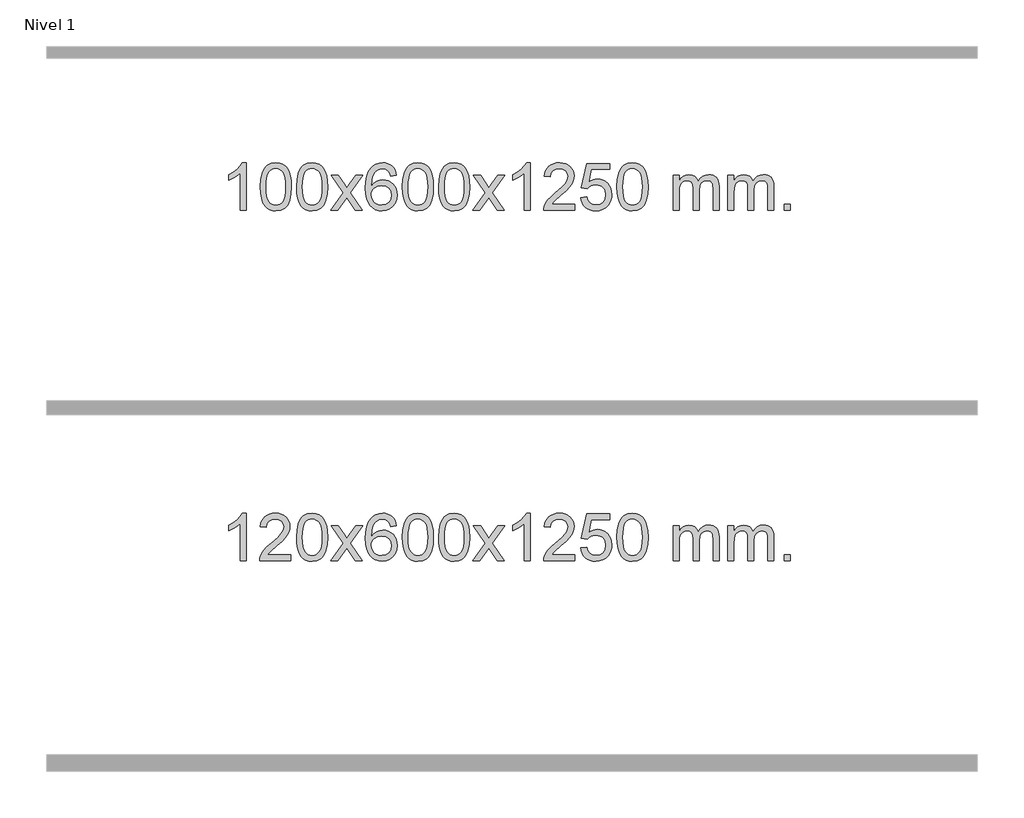
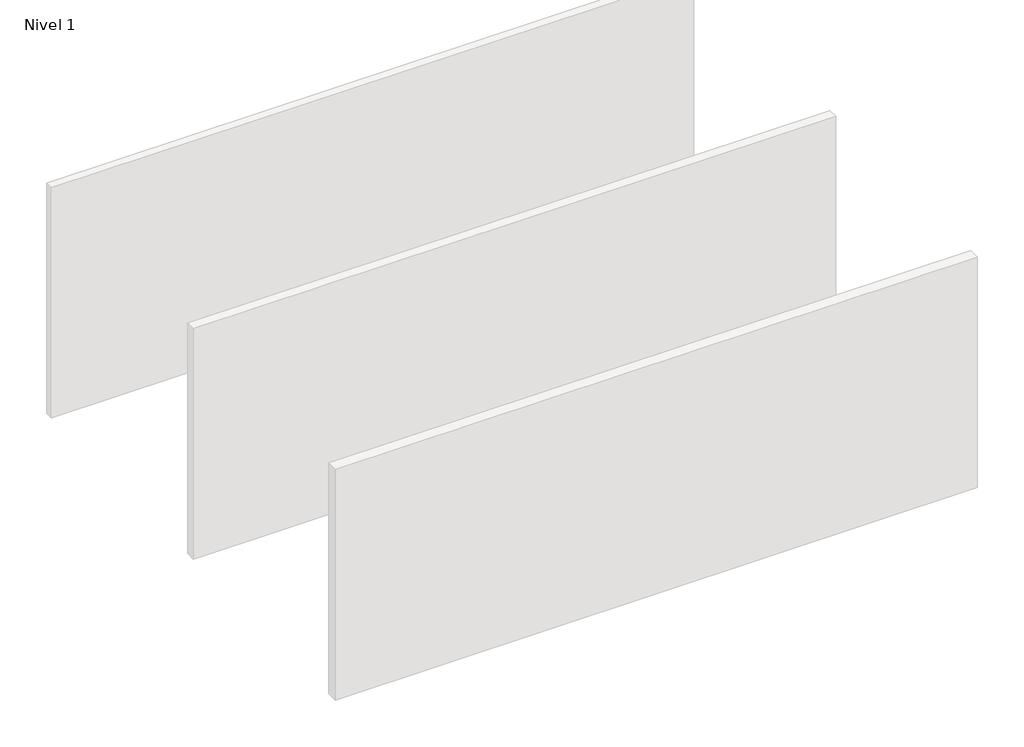
# One storey, part 3 of 6: 2 proxies.
"""IFC4 building model written with IfcOpenShell, lengths in millimetres."""

from ifc_helpers import new_model, si_unit, origin, origin_with_axes, place, context, project, spatial, polyline, outline, extrude, element, save

model = new_model("IFC4")

# Units and contexts
model_context = context("Model", 3, world=origin())
ifc_project = project(units=[si_unit("LENGTHUNIT", "METRE", prefix="MILLI")], contexts=[model_context])

# Site, building, storey
site = spatial("IfcSite", under=ifc_project)
building = spatial("IfcBuilding", under=site)
storey = spatial("IfcBuildingStorey", under=building, Name="Nivel 1", Elevation=0.0)

# Proxies
placement = place(None, origin())
element("IfcBuildingElementProxy", 1, Name="Texto de modelo 1", ObjectType="Texto de modelo 1", at=placement, inside=storey, context=model_context, shape_type="SweptSolid", body=[
    extrude(outline(polyline([(-4836.3117093, -12403.579453), (-4886.5398644, -12403.579453), (-4886.5398644, -12090.4382987), (-4907.5091381, -12107.3976587), (-4934.1192691, -12124.3324932), (-4986.9961745, -12149.6918254), (-4986.9961745, -12102.2105225), (-4947.5469619, -12080.7507395), (-4913.3707246, -12055.219729), (-4886.4294998, -12028.0700378), (-4868.6853249, -12001.7542124), (-4836.3117093, -12001.7542124), (-4836.3117093, -12403.579453)])), origin_with_axes(), (0.0, 0.0, 1.0), 10.0),
    extrude(outline(polyline([(-4717.019841, -12205.9041943), (-4713.3287583, -12141.5861588), (-4702.2555103, -12090.2911459), (-4683.9104614, -12051.2343407), (-4672.0523985, -12036.0009605), (-4658.4039764, -12023.6309284), (-4642.9192101, -12014.0598651), (-4625.5521143, -12007.2233914), (-4585.1709339, -12001.7542124), (-4554.2197954, -12004.991574), (-4526.5060184, -12014.7036586), (-4503.3294527, -12030.5103217), (-4485.989948, -12052.0314184), (-4472.893349, -12079.0830078), (-4462.4455003, -12111.4811488), (-4455.6028952, -12152.6226186), (-4453.3220269, -12205.9041943), (-4456.9763213, -12269.8543477), (-4467.9392048, -12321.0267333), (-4486.173889, -12360.1203266), (-4498.0043609, -12375.3996922), (-4511.6435858, -12387.8341036), (-4527.1467462, -12397.4695462), (-4544.5690244, -12404.3520052), (-4585.1709339, -12409.8579724), (-4612.83566, -12407.4667394), (-4637.3611263, -12400.2930405), (-4658.747333, -12388.3368757), (-4676.9942799, -12371.5982449), (-4694.5054629, -12341.3399508), (-4707.0134507, -12303.6381776), (-4714.5182434, -12258.4929255), (-4717.019841, -12205.9041943)]), holes=[polyline([(-4666.7916859, -12205.8060924), (-4665.3201579, -12249.4706195), (-4660.905574, -12284.8148822), (-4653.5479341, -12311.8388804), (-4643.2472382, -12330.5426142), (-4630.7883013, -12343.2682656), (-4616.9559383, -12352.3580165), (-4601.7501492, -12357.8118671), (-4585.1709339, -12359.6298173), (-4568.5917187, -12357.8057357), (-4553.3859295, -12352.3334911), (-4539.5535665, -12343.2130833), (-4527.0946296, -12330.4445124), (-4516.7939338, -12311.7101217), (-4509.4362939, -12284.6922549), (-4505.0217099, -12249.3909118), (-4503.5501819, -12205.8060924), (-4504.972659, -12163.2973278), (-4509.2400901, -12128.5753989), (-4516.3524754, -12101.6403055), (-4526.3098147, -12082.4920476), (-4538.5602851, -12069.1440625), (-4552.5520637, -12059.6097875), (-4568.2851503, -12053.8892225), (-4585.7595451, -12051.9823675), (-4602.2529212, -12053.6623619), (-4617.201193, -12058.7023452), (-4630.6043603, -12067.1023175), (-4642.4624233, -12078.8622786), (-4653.1064757, -12099.708925), (-4660.7093703, -12127.8151094), (-4665.271107, -12163.1808319), (-4666.7916859, -12205.8060924)])]), origin_with_axes(), (0.0, 0.0, 1.0), 10.0),
    extrude(outline(polyline([(-4409.3723912, -12205.9041943), (-4405.6813085, -12141.5861588), (-4394.6080604, -12090.2911459), (-4376.2630116, -12051.2343407), (-4364.4049486, -12036.0009605), (-4350.7565266, -12023.6309284), (-4335.2717603, -12014.0598651), (-4317.9046644, -12007.2233914), (-4277.5234841, -12001.7542124), (-4246.5723456, -12004.991574), (-4218.8585686, -12014.7036586), (-4195.6820029, -12030.5103217), (-4178.3424982, -12052.0314184), (-4165.2458992, -12079.0830078), (-4154.7980505, -12111.4811488), (-4147.9554454, -12152.6226186), (-4145.674577, -12205.9041943), (-4149.3288715, -12269.8543477), (-4160.291755, -12321.0267333), (-4178.5264392, -12360.1203266), (-4190.356911, -12375.3996922), (-4203.996136, -12387.8341036), (-4219.4992964, -12397.4695462), (-4236.9215746, -12404.3520052), (-4277.5234841, -12409.8579724), (-4305.1882101, -12407.4667394), (-4329.7136765, -12400.2930405), (-4351.0998831, -12388.3368757), (-4369.3468301, -12371.5982449), (-4386.8580131, -12341.3399508), (-4399.3660009, -12303.6381776), (-4406.8707936, -12258.4929255), (-4409.3723912, -12205.9041943)]), holes=[polyline([(-4359.1442361, -12205.8060924), (-4357.6727081, -12249.4706195), (-4353.2581242, -12284.8148822), (-4345.9004843, -12311.8388804), (-4335.5997884, -12330.5426142), (-4323.1408515, -12343.2682656), (-4309.3084885, -12352.3580165), (-4294.1026993, -12357.8118671), (-4277.5234841, -12359.6298173), (-4260.9442688, -12357.8057357), (-4245.7384797, -12352.3334911), (-4231.9061167, -12343.2130833), (-4219.4471798, -12330.4445124), (-4209.1464839, -12311.7101217), (-4201.788844, -12284.6922549), (-4197.3742601, -12249.3909118), (-4195.9027321, -12205.8060924), (-4197.3252091, -12163.2973278), (-4201.5926403, -12128.5753989), (-4208.7050255, -12101.6403055), (-4218.6623649, -12082.4920476), (-4230.9128353, -12069.1440625), (-4244.9046139, -12059.6097875), (-4260.6377005, -12053.8892225), (-4278.1120953, -12051.9823675), (-4294.6054714, -12053.6623619), (-4309.5537431, -12058.7023452), (-4322.9569105, -12067.1023175), (-4334.8149735, -12078.8622786), (-4345.4590259, -12099.708925), (-4353.0619204, -12127.8151094), (-4357.6236572, -12163.1808319), (-4359.1442361, -12205.8060924)])]), origin_with_axes(), (0.0, 0.0, 1.0), 10.0),
    extrude(outline(polyline([(-4120.5604995, -12403.579453), (-4013.2370588, -12255.2494325), (-4114.2819801, -12108.4890419), (-4053.851231, -12108.4890419), (-4005.0946039, -12179.122385), (-3982.3349712, -12212.4770192), (-3962.6164962, -12185.2047007), (-3907.0908404, -12108.4890419), (-3846.6600913, -12108.4890419), (-3952.8063097, -12255.2494325), (-3850.584166, -12403.579453), (-3911.014915, -12403.579453), (-3972.5247846, -12314.4048574), (-3983.8064991, -12298.1199477), (-4060.1297504, -12403.579453), (-4120.5604995, -12403.579453)])), origin_with_axes(), (0.0, 0.0, 1.0), 10.0),
    extrude(outline(polyline([(-3561.7722743, -12108.4890419), (-3612.0004294, -12114.7675613), (-3620.0938332, -12089.874213), (-3631.0321912, -12072.8780648), (-3653.8163495, -12057.2062918), (-3681.3584482, -12051.9823675), (-3704.7066921, -12055.0235253), (-3726.68151, -12064.1469988), (-3745.5538563, -12083.3627017), (-3760.9681119, -12109.8134171), (-3771.3791724, -12147.227016), (-3775.2419333, -12199.3313693), (-3755.0942627, -12175.8237098), (-3730.9489411, -12159.2567573), (-3704.1548691, -12149.434308), (-3676.0609474, -12146.1601582), (-3651.9278886, -12148.398107), (-3629.6587651, -12155.1119534), (-3609.2535771, -12166.3016975), (-3590.7123246, -12181.9673391), (-3575.3042003, -12201.1769106), (-3564.2983973, -12222.9984443), (-3557.6949155, -12247.4319401), (-3555.4937549, -12274.4773982), (-3559.6385587, -12310.4439945), (-3572.0729701, -12343.786366), (-3591.7669196, -12372.0642287), (-3617.6903375, -12392.8372987), (-3648.6660015, -12405.602804), (-3683.5166892, -12409.8579724), (-3713.4592179, -12407.0375437), (-3740.5016103, -12398.5762579), (-3764.6438662, -12384.4741147), (-3785.8859857, -12364.7311143), (-3803.2040307, -12338.5133908), (-3815.5740627, -12304.9870783), (-3822.996082, -12264.1521768), (-3825.4700884, -12216.0086864), (-3822.7232362, -12162.0342663), (-3814.4826795, -12115.9693092), (-3800.7484183, -12077.8138149), (-3781.5204527, -12047.5677835), (-3760.6799377, -12027.5243462), (-3736.516222, -12013.2076052), (-3709.0293056, -12004.6175606), (-3678.2191885, -12001.7542124), (-3655.0855424, -12003.5261773), (-3634.1469255, -12008.8420722), (-3615.4033378, -12017.7018969), (-3598.8547794, -12030.1056515), (-3584.94884, -12045.6364031), (-3574.1331093, -12063.8772186), (-3566.4075874, -12084.8280983), (-3561.7722743, -12108.4890419)]), holes=[polyline([(-3775.2419333, -12273.6925832), (-3772.3356656, -12295.9494439), (-3763.6168623, -12317.2007605), (-3750.0788049, -12335.472233), (-3732.7147747, -12348.7895612), (-3711.7577637, -12356.9197533), (-3687.4407638, -12359.6298173), (-3654.2945961, -12354.0134855), (-3640.3794596, -12346.9930708), (-3628.2362881, -12337.1644901), (-3618.3862477, -12324.9262824), (-3611.3505045, -12310.6769865), (-3605.72191, -12276.1451299), (-3611.2769281, -12242.9989621), (-3618.2207008, -12229.3781312), (-3627.9419825, -12217.725469), (-3640.1219422, -12208.3904634), (-3654.4417489, -12201.7226022), (-3689.500903, -12196.3883133), (-3722.5980198, -12201.7226022), (-3750.2750086, -12217.725469), (-3761.1980382, -12229.2248471), (-3769.0002022, -12242.3858254), (-3773.6815005, -12257.2084042), (-3775.2419333, -12273.6925832)])]), origin_with_axes(), (0.0, 0.0, 1.0), 10.0),
    extrude(outline(polyline([(-3511.5441192, -12205.9041943), (-3507.8530365, -12141.5861588), (-3496.7797885, -12090.2911459), (-3478.4347396, -12051.2343407), (-3466.5766767, -12036.0009605), (-3452.9282546, -12023.6309284), (-3437.4434883, -12014.0598651), (-3420.0763925, -12007.2233914), (-3379.6952121, -12001.7542124), (-3348.7440736, -12004.991574), (-3321.0302966, -12014.7036586), (-3297.8537309, -12030.5103217), (-3280.5142262, -12052.0314184), (-3267.4176272, -12079.0830078), (-3256.9697785, -12111.4811488), (-3250.1271734, -12152.6226186), (-3247.8463051, -12205.9041943), (-3251.5005995, -12269.8543477), (-3262.463483, -12321.0267333), (-3280.6981672, -12360.1203266), (-3292.5286391, -12375.3996922), (-3306.167864, -12387.8341036), (-3321.6710244, -12397.4695462), (-3339.0933026, -12404.3520052), (-3379.6952121, -12409.8579724), (-3407.3599382, -12407.4667394), (-3431.8854045, -12400.2930405), (-3453.2716112, -12388.3368757), (-3471.5185581, -12371.5982449), (-3489.0297411, -12341.3399508), (-3501.5377289, -12303.6381776), (-3509.0425216, -12258.4929255), (-3511.5441192, -12205.9041943)]), holes=[polyline([(-3461.3159641, -12205.8060924), (-3459.8444361, -12249.4706195), (-3455.4298522, -12284.8148822), (-3448.0722123, -12311.8388804), (-3437.7715164, -12330.5426142), (-3425.3125795, -12343.2682656), (-3411.4802165, -12352.3580165), (-3396.2744274, -12357.8118671), (-3379.6952121, -12359.6298173), (-3363.1159969, -12357.8057357), (-3347.9102077, -12352.3334911), (-3334.0778447, -12343.2130833), (-3321.6189078, -12330.4445124), (-3311.318212, -12311.7101217), (-3303.9605721, -12284.6922549), (-3299.5459881, -12249.3909118), (-3298.0744601, -12205.8060924), (-3299.4969372, -12163.2973278), (-3303.7643683, -12128.5753989), (-3310.8767536, -12101.6403055), (-3320.8340929, -12082.4920476), (-3333.0845633, -12069.1440625), (-3347.0763419, -12059.6097875), (-3362.8094286, -12053.8892225), (-3380.2838233, -12051.9823675), (-3396.7771994, -12053.6623619), (-3411.7254712, -12058.7023452), (-3425.1286385, -12067.1023175), (-3436.9867015, -12078.8622786), (-3447.6307539, -12099.708925), (-3455.2336485, -12127.8151094), (-3459.7953852, -12163.1808319), (-3461.3159641, -12205.8060924)])]), origin_with_axes(), (0.0, 0.0, 1.0), 10.0),
    extrude(outline(polyline([(-3203.8966694, -12205.9041943), (-3200.2055867, -12141.5861588), (-3189.1323386, -12090.2911459), (-3170.7872898, -12051.2343407), (-3158.9292268, -12036.0009605), (-3145.2808048, -12023.6309284), (-3129.7960385, -12014.0598651), (-3112.4289426, -12007.2233914), (-3072.0477623, -12001.7542124), (-3041.0966238, -12004.991574), (-3013.3828468, -12014.7036586), (-2990.2062811, -12030.5103217), (-2972.8667764, -12052.0314184), (-2959.7701774, -12079.0830078), (-2949.3223287, -12111.4811488), (-2942.4797236, -12152.6226186), (-2940.1988552, -12205.9041943), (-2943.8531497, -12269.8543477), (-2954.8160332, -12321.0267333), (-2973.0507174, -12360.1203266), (-2984.8811892, -12375.3996922), (-2998.5204142, -12387.8341036), (-3014.0235746, -12397.4695462), (-3031.4458528, -12404.3520052), (-3072.0477623, -12409.8579724), (-3099.7124883, -12407.4667394), (-3124.2379547, -12400.2930405), (-3145.6241613, -12388.3368757), (-3163.8711083, -12371.5982449), (-3181.3822913, -12341.3399508), (-3193.8902791, -12303.6381776), (-3201.3950718, -12258.4929255), (-3203.8966694, -12205.9041943)]), holes=[polyline([(-3153.6685143, -12205.8060924), (-3152.1969863, -12249.4706195), (-3147.7824024, -12284.8148822), (-3140.4247625, -12311.8388804), (-3130.1240666, -12330.5426142), (-3117.6651297, -12343.2682656), (-3103.8327667, -12352.3580165), (-3088.6269775, -12357.8118671), (-3072.0477623, -12359.6298173), (-3055.468547, -12357.8057357), (-3040.2627579, -12352.3334911), (-3026.4303949, -12343.2130833), (-3013.971458, -12330.4445124), (-3003.6707621, -12311.7101217), (-2996.3131222, -12284.6922549), (-2991.8985383, -12249.3909118), (-2990.4270103, -12205.8060924), (-2991.8494873, -12163.2973278), (-2996.1169185, -12128.5753989), (-3003.2293037, -12101.6403055), (-3013.1866431, -12082.4920476), (-3025.4371135, -12069.1440625), (-3039.4288921, -12059.6097875), (-3055.1619787, -12053.8892225), (-3072.6363735, -12051.9823675), (-3089.1297496, -12053.6623619), (-3104.0780213, -12058.7023452), (-3117.4811887, -12067.1023175), (-3129.3392517, -12078.8622786), (-3139.9833041, -12099.708925), (-3147.5861986, -12127.8151094), (-3152.1479354, -12163.1808319), (-3153.6685143, -12205.8060924)])]), origin_with_axes(), (0.0, 0.0, 1.0), 10.0),
    extrude(outline(polyline([(-2915.0847777, -12403.579453), (-2807.761337, -12255.2494325), (-2908.8062583, -12108.4890419), (-2848.3755092, -12108.4890419), (-2799.6188821, -12179.122385), (-2776.8592494, -12212.4770192), (-2757.1407744, -12185.2047007), (-2701.6151186, -12108.4890419), (-2641.1843695, -12108.4890419), (-2747.3305879, -12255.2494325), (-2645.1084442, -12403.579453), (-2705.5391932, -12403.579453), (-2767.0490628, -12314.4048574), (-2778.3307773, -12298.1199477), (-2854.6540286, -12403.579453), (-2915.0847777, -12403.579453)])), origin_with_axes(), (0.0, 0.0, 1.0), 10.0),
    extrude(outline(polyline([(-2425.3602657, -12403.579453), (-2475.5884208, -12403.579453), (-2475.5884208, -12090.4382987), (-2496.5576945, -12107.3976587), (-2523.1678255, -12124.3324932), (-2576.0447309, -12149.6918254), (-2576.0447309, -12102.2105225), (-2536.5955183, -12080.7507395), (-2502.419281, -12055.219729), (-2475.4780562, -12028.0700378), (-2457.7338813, -12001.7542124), (-2425.3602657, -12001.7542124), (-2425.3602657, -12403.579453)])), origin_with_axes(), (0.0, 0.0, 1.0), 10.0),
    extrude(outline(polyline([(-2048.6491026, -12353.3512979), (-2048.6491026, -12403.579453), (-2312.3469168, -12403.579453), (-2311.2432708, -12385.8965918), (-2306.9513142, -12368.9494945), (-2294.5659537, -12341.8856424), (-2276.4416341, -12315.6311307), (-2250.2239105, -12288.1503456), (-2213.5583384, -12257.4076736), (-2159.3570577, -12209.2641831), (-2126.8362894, -12173.7267824), (-2110.5759052, -12144.884834), (-2105.1557771, -12116.8277005), (-2110.2693368, -12091.6768347), (-2125.610016, -12070.7688747), (-2149.1912519, -12056.6789943), (-2179.0264817, -12051.9823675), (-2210.357765, -12056.5686297), (-2234.6992903, -12070.3274163), (-2250.4078515, -12092.1796068), (-2255.8402423, -12121.0460807), (-2306.0683974, -12114.7675613), (-2301.7488496, -12088.838012), (-2293.8915034, -12066.1826125), (-2282.4963586, -12046.8013627), (-2267.5634152, -12030.6942627), (-2249.4360299, -12018.0329907), (-2228.4575592, -12008.989225), (-2204.6280029, -12003.5629655), (-2177.9473612, -12001.7542124), (-2151.0275962, -12003.7653006), (-2127.0692813, -12009.7985654), (-2106.0724164, -12019.8540066), (-2088.0370016, -12033.9316242), (-2073.551648, -12050.9890861), (-2063.2049669, -12069.9840598), (-2056.9969583, -12090.9165453), (-2054.927622, -12113.7865427), (-2057.1594395, -12137.8092369), (-2063.8548918, -12161.4149983), (-2075.7374802, -12185.4254299), (-2093.5307061, -12210.6621347), (-2121.8944079, -12240.7916701), (-2165.4884243, -12279.4805933), (-2223.270423, -12327.795762), (-2245.9319539, -12353.3512979), (-2048.6491026, -12353.3512979)])), origin_with_axes(), (0.0, 0.0, 1.0), 10.0),
    extrude(outline(polyline([(-1998.4209476, -12296.8446235), (-1948.1927925, -12290.5661041), (-1938.9712172, -12320.7201649), (-1922.8825112, -12342.3148381), (-1900.0002511, -12355.3010725), (-1870.3980133, -12359.6298173), (-1851.2681495, -12358.1245668), (-1834.3946287, -12353.6088153), (-1819.7774507, -12346.0825628), (-1807.4166157, -12335.5458094), (-1797.588035, -12322.519721), (-1790.5676203, -12307.5254641), (-1784.9512885, -12271.6324441), (-1790.212001, -12237.8363514), (-1796.7878917, -12223.9181493), (-1805.9941386, -12211.9865099), (-1817.8613987, -12202.4154467), (-1832.4203286, -12195.5789729), (-1869.6131983, -12190.1097939), (-1893.9792491, -12192.2925604), (-1913.7099868, -12198.8408599), (-1929.4675989, -12208.8717757), (-1941.9142731, -12221.5023908), (-1992.1424282, -12215.2238715), (-1948.1927925, -12008.0327318), (-1753.5586916, -12008.0327318), (-1753.5586916, -12058.2608869), (-1907.5786202, -12058.2608869), (-1929.0629287, -12168.919791), (-1911.3371479, -12156.2155994), (-1893.1821715, -12147.1411769), (-1874.5979994, -12141.6965234), (-1855.5846316, -12139.8816388), (-1831.1235446, -12142.1318504), (-1808.6551517, -12148.882485), (-1788.179453, -12160.1335427), (-1769.6964484, -12175.8850234), (-1754.3956231, -12195.1743027), (-1743.4664622, -12217.038756), (-1736.9089656, -12241.4783832), (-1734.7231334, -12268.4931844), (-1736.6913021, -12294.5147042), (-1742.5958081, -12318.7213394), (-1752.4366515, -12341.1130902), (-1766.2138322, -12361.6899565), (-1787.0850041, -12382.7634634), (-1811.4387922, -12397.8159684), (-1839.2751965, -12406.8474714), (-1870.594217, -12409.8579724), (-1896.5145692, -12407.9235262), (-1919.9271925, -12402.1201877), (-1940.8320869, -12392.447957), (-1959.2292524, -12378.9068338), (-1974.536209, -12362.1712688), (-1986.1704771, -12342.915712), (-1994.1320566, -12321.1401636), (-1998.4209476, -12296.8446235)])), origin_with_axes(), (0.0, 0.0, 1.0), 10.0),
    extrude(outline(polyline([(-1690.7734977, -12205.9041943), (-1687.0824151, -12141.5861588), (-1676.009167, -12090.2911459), (-1657.6641182, -12051.2343407), (-1645.8060552, -12036.0009605), (-1632.1576332, -12023.6309284), (-1616.6728669, -12014.0598651), (-1599.305771, -12007.2233914), (-1558.9245907, -12001.7542124), (-1527.9734521, -12004.991574), (-1500.2596752, -12014.7036586), (-1477.0831095, -12030.5103217), (-1459.7436048, -12052.0314184), (-1446.6470057, -12079.0830078), (-1436.1991571, -12111.4811488), (-1429.356552, -12152.6226186), (-1427.0756836, -12205.9041943), (-1430.7299781, -12269.8543477), (-1441.6928615, -12321.0267333), (-1459.9275458, -12360.1203266), (-1471.7580176, -12375.3996922), (-1485.3972426, -12387.8341036), (-1500.900403, -12397.4695462), (-1518.3226811, -12404.3520052), (-1558.9245907, -12409.8579724), (-1586.5893167, -12407.4667394), (-1611.1147831, -12400.2930405), (-1632.5009897, -12388.3368757), (-1650.7479367, -12371.5982449), (-1668.2591196, -12341.3399508), (-1680.7671075, -12303.6381776), (-1688.2719002, -12258.4929255), (-1690.7734977, -12205.9041943)]), holes=[polyline([(-1640.5453427, -12205.8060924), (-1639.0738147, -12249.4706195), (-1634.6592307, -12284.8148822), (-1627.3015908, -12311.8388804), (-1617.000895, -12330.5426142), (-1604.5419581, -12343.2682656), (-1590.7095951, -12352.3580165), (-1575.5038059, -12357.8118671), (-1558.9245907, -12359.6298173), (-1542.3453754, -12357.8057357), (-1527.1395863, -12352.3334911), (-1513.3072233, -12343.2130833), (-1500.8482864, -12330.4445124), (-1490.5475905, -12311.7101217), (-1483.1899506, -12284.6922549), (-1478.7753667, -12249.3909118), (-1477.3038387, -12205.8060924), (-1478.7263157, -12163.2973278), (-1482.9937469, -12128.5753989), (-1490.1061321, -12101.6403055), (-1500.0634714, -12082.4920476), (-1512.3139419, -12069.1440625), (-1526.3057204, -12059.6097875), (-1542.0388071, -12053.8892225), (-1559.5132019, -12051.9823675), (-1576.006578, -12053.6623619), (-1590.9548497, -12058.7023452), (-1604.3580171, -12067.1023175), (-1616.2160801, -12078.8622786), (-1626.8601324, -12099.708925), (-1634.463027, -12127.8151094), (-1639.0247638, -12163.1808319), (-1640.5453427, -12205.8060924)])]), origin_with_axes(), (0.0, 0.0, 1.0), 10.0),
    extrude(outline(polyline([(-1213.6060245, -12403.579453), (-1213.6060245, -12108.4890419), (-1163.3778695, -12108.4890419), (-1163.3778695, -12157.0494653), (-1148.2701822, -12134.7435537), (-1128.8460128, -12117.2691589), (-1105.767549, -12105.9751816), (-1079.6969783, -12102.2105225), (-1051.7624721, -12106.048758), (-1029.3707213, -12117.5634645), (-1012.6443533, -12135.9943524), (-1001.7059953, -12160.5811324), (-983.3977347, -12135.0439906), (-962.5143001, -12116.803175), (-939.0556915, -12105.8586857), (-913.021909, -12102.2105225), (-892.9140923, -12103.7280358), (-875.2649536, -12108.2805755), (-860.0744928, -12115.8681416), (-847.3427101, -12126.4907342), (-837.2780719, -12140.2709806), (-830.0890446, -12157.3315082), (-825.7756282, -12177.6723168), (-824.3378227, -12201.2934066), (-824.3378227, -12403.579453), (-874.5659778, -12403.579453), (-874.5659778, -12222.875817), (-875.7309374, -12197.8230531), (-879.2258164, -12180.9372695), (-885.7741159, -12169.3735121), (-896.0993372, -12160.2868268), (-909.3798773, -12154.4007149), (-924.7941329, -12152.4386776), (-952.0051378, -12157.4663982), (-974.1884221, -12172.54956), (-982.7937951, -12184.1194488), (-988.9404901, -12198.7182326), (-993.8578461, -12237.0024856), (-993.8578461, -12403.579453), (-1044.0860012, -12403.579453), (-1044.0860012, -12217.2840106), (-1046.9922689, -12188.8835206), (-1055.7110722, -12168.6254854), (-1071.0517514, -12156.4853796), (-1093.8236469, -12152.4386776), (-1113.1742398, -12155.1364789), (-1131.0042539, -12163.2298828), (-1145.7195337, -12176.5226856), (-1155.725924, -12194.8186835), (-1161.4648831, -12220.2025411), (-1163.3778695, -12254.7589232), (-1163.3778695, -12403.579453), (-1213.6060245, -12403.579453)])), origin_with_axes(), (0.0, 0.0, 1.0), 10.0),
    extrude(outline(polyline([(-748.9955901, -12403.579453), (-748.9955901, -12108.4890419), (-698.767435, -12108.4890419), (-698.767435, -12157.0494653), (-683.6597477, -12134.7435537), (-664.2355784, -12117.2691589), (-641.1571146, -12105.9751816), (-615.0865438, -12102.2105225), (-587.1520377, -12106.048758), (-564.7602869, -12117.5634645), (-548.0339189, -12135.9943524), (-537.0955609, -12160.5811324), (-518.7873002, -12135.0439906), (-497.9038656, -12116.803175), (-474.4452571, -12105.8586857), (-448.4114746, -12102.2105225), (-428.3036578, -12103.7280358), (-410.6545191, -12108.2805755), (-395.4640584, -12115.8681416), (-382.7322757, -12126.4907342), (-372.6676374, -12140.2709806), (-365.4786101, -12157.3315082), (-361.1651937, -12177.6723168), (-359.7273883, -12201.2934066), (-359.7273883, -12403.579453), (-409.9555433, -12403.579453), (-409.9555433, -12222.875817), (-411.120503, -12197.8230531), (-414.6153819, -12180.9372695), (-421.1636815, -12169.3735121), (-431.4889028, -12160.2868268), (-444.7694428, -12154.4007149), (-460.1836984, -12152.4386776), (-487.3947033, -12157.4663982), (-509.5779876, -12172.54956), (-518.1833606, -12184.1194488), (-524.3300556, -12198.7182326), (-529.2474116, -12237.0024856), (-529.2474116, -12403.579453), (-579.4755667, -12403.579453), (-579.4755667, -12217.2840106), (-582.3818345, -12188.8835206), (-591.1006378, -12168.6254854), (-606.441317, -12156.4853796), (-629.2132125, -12152.4386776), (-648.5638054, -12155.1364789), (-666.3938194, -12163.2298828), (-681.1090992, -12176.5226856), (-691.1154895, -12194.8186835), (-696.8544486, -12220.2025411), (-698.767435, -12254.7589232), (-698.767435, -12403.579453), (-748.9955901, -12403.579453)])), origin_with_axes(), (0.0, 0.0, 1.0), 10.0),
    extrude(outline(polyline([(-271.8281169, -12403.579453), (-271.8281169, -12353.3512979), (-221.5999618, -12353.3512979), (-221.5999618, -12403.579453), (-271.8281169, -12403.579453)])), origin_with_axes(), (0.0, 0.0, 1.0), 10.0),
])
element("IfcBuildingElementProxy", 2, Name="Texto de modelo 1", ObjectType="Texto de modelo 1", at=placement, inside=storey, context=model_context, shape_type="SweptSolid", body=[
    extrude(outline(polyline([(-4836.3117093, -15377.579453), (-4886.5398644, -15377.579453), (-4886.5398644, -15064.4382987), (-4907.5091381, -15081.3976587), (-4934.1192691, -15098.3324932), (-4986.9961745, -15123.6918254), (-4986.9961745, -15076.2105225), (-4947.5469619, -15054.7507395), (-4913.3707246, -15029.219729), (-4886.4294998, -15002.0700378), (-4868.6853249, -14975.7542124), (-4836.3117093, -14975.7542124), (-4836.3117093, -15377.579453)])), origin_with_axes(), (0.0, 0.0, 1.0), 10.0),
    extrude(outline(polyline([(-4459.6005462, -15327.3512979), (-4459.6005462, -15377.579453), (-4723.2983604, -15377.579453), (-4722.1947144, -15359.8965918), (-4717.9027578, -15342.9494945), (-4705.5173973, -15315.8856424), (-4687.3930777, -15289.6311307), (-4661.1753541, -15262.1503456), (-4624.5097819, -15231.4076736), (-4570.3085013, -15183.2641831), (-4537.7877329, -15147.7267824), (-4521.5273488, -15118.884834), (-4516.1072207, -15090.8277005), (-4521.2207804, -15065.6768347), (-4536.5614596, -15044.7688747), (-4560.1426955, -15030.6789943), (-4589.9779253, -15025.9823675), (-4621.3092086, -15030.5686297), (-4645.6507339, -15044.3274163), (-4661.3592951, -15066.1796068), (-4666.7916859, -15095.0460807), (-4717.019841, -15088.7675613), (-4712.7002932, -15062.838012), (-4704.842947, -15040.1826125), (-4693.4478022, -15020.8013627), (-4678.5148588, -15004.6942627), (-4660.3874735, -14992.0329907), (-4639.4090027, -14982.989225), (-4615.5794465, -14977.5629655), (-4588.8988048, -14975.7542124), (-4561.9790398, -14977.7653006), (-4538.0207249, -14983.7985654), (-4517.02386, -14993.8540066), (-4498.9884452, -15007.9316242), (-4484.5030916, -15024.9890861), (-4474.1564105, -15043.9840598), (-4467.9484018, -15064.9165453), (-4465.8790656, -15087.7865427), (-4468.1108831, -15111.8092369), (-4474.8063354, -15135.4149983), (-4486.6889238, -15159.4254299), (-4504.4821497, -15184.6621347), (-4532.8458515, -15214.7916701), (-4576.4398679, -15253.4805933), (-4634.2218666, -15301.795762), (-4656.8833975, -15327.3512979), (-4459.6005462, -15327.3512979)])), origin_with_axes(), (0.0, 0.0, 1.0), 10.0),
    extrude(outline(polyline([(-4409.3723912, -15179.9041943), (-4405.6813085, -15115.5861588), (-4394.6080604, -15064.2911459), (-4376.2630116, -15025.2343407), (-4364.4049486, -15010.0009605), (-4350.7565266, -14997.6309284), (-4335.2717603, -14988.0598651), (-4317.9046644, -14981.2233914), (-4277.5234841, -14975.7542124), (-4246.5723456, -14978.991574), (-4218.8585686, -14988.7036586), (-4195.6820029, -15004.5103217), (-4178.3424982, -15026.0314184), (-4165.2458992, -15053.0830078), (-4154.7980505, -15085.4811488), (-4147.9554454, -15126.6226186), (-4145.674577, -15179.9041943), (-4149.3288715, -15243.8543477), (-4160.291755, -15295.0267333), (-4178.5264392, -15334.1203266), (-4190.356911, -15349.3996922), (-4203.996136, -15361.8341036), (-4219.4992964, -15371.4695462), (-4236.9215746, -15378.3520052), (-4277.5234841, -15383.8579724), (-4305.1882101, -15381.4667394), (-4329.7136765, -15374.2930405), (-4351.0998831, -15362.3368757), (-4369.3468301, -15345.5982449), (-4386.8580131, -15315.3399508), (-4399.3660009, -15277.6381776), (-4406.8707936, -15232.4929255), (-4409.3723912, -15179.9041943)]), holes=[polyline([(-4359.1442361, -15179.8060924), (-4357.6727081, -15223.4706195), (-4353.2581242, -15258.8148822), (-4345.9004843, -15285.8388804), (-4335.5997884, -15304.5426142), (-4323.1408515, -15317.2682656), (-4309.3084885, -15326.3580165), (-4294.1026993, -15331.8118671), (-4277.5234841, -15333.6298173), (-4260.9442688, -15331.8057357), (-4245.7384797, -15326.3334911), (-4231.9061167, -15317.2130833), (-4219.4471798, -15304.4445124), (-4209.1464839, -15285.7101217), (-4201.788844, -15258.6922549), (-4197.3742601, -15223.3909118), (-4195.9027321, -15179.8060924), (-4197.3252091, -15137.2973278), (-4201.5926403, -15102.5753989), (-4208.7050255, -15075.6403055), (-4218.6623649, -15056.4920476), (-4230.9128353, -15043.1440625), (-4244.9046139, -15033.6097875), (-4260.6377005, -15027.8892225), (-4278.1120953, -15025.9823675), (-4294.6054714, -15027.6623619), (-4309.5537431, -15032.7023452), (-4322.9569105, -15041.1023175), (-4334.8149735, -15052.8622786), (-4345.4590259, -15073.708925), (-4353.0619204, -15101.8151094), (-4357.6236572, -15137.1808319), (-4359.1442361, -15179.8060924)])]), origin_with_axes(), (0.0, 0.0, 1.0), 10.0),
    extrude(outline(polyline([(-4120.5604995, -15377.579453), (-4013.2370588, -15229.2494325), (-4114.2819801, -15082.4890419), (-4053.851231, -15082.4890419), (-4005.0946039, -15153.122385), (-3982.3349712, -15186.4770192), (-3962.6164962, -15159.2047007), (-3907.0908404, -15082.4890419), (-3846.6600913, -15082.4890419), (-3952.8063097, -15229.2494325), (-3850.584166, -15377.579453), (-3911.014915, -15377.579453), (-3972.5247846, -15288.4048574), (-3983.8064991, -15272.1199477), (-4060.1297504, -15377.579453), (-4120.5604995, -15377.579453)])), origin_with_axes(), (0.0, 0.0, 1.0), 10.0),
    extrude(outline(polyline([(-3561.7722743, -15082.4890419), (-3612.0004294, -15088.7675613), (-3620.0938332, -15063.874213), (-3631.0321912, -15046.8780648), (-3653.8163495, -15031.2062918), (-3681.3584482, -15025.9823675), (-3704.7066921, -15029.0235253), (-3726.68151, -15038.1469988), (-3745.5538563, -15057.3627017), (-3760.9681119, -15083.8134171), (-3771.3791724, -15121.227016), (-3775.2419333, -15173.3313693), (-3755.0942627, -15149.8237098), (-3730.9489411, -15133.2567573), (-3704.1548691, -15123.434308), (-3676.0609474, -15120.1601582), (-3651.9278886, -15122.398107), (-3629.6587651, -15129.1119534), (-3609.2535771, -15140.3016975), (-3590.7123246, -15155.9673391), (-3575.3042003, -15175.1769106), (-3564.2983973, -15196.9984443), (-3557.6949155, -15221.4319401), (-3555.4937549, -15248.4773982), (-3559.6385587, -15284.4439945), (-3572.0729701, -15317.786366), (-3591.7669196, -15346.0642287), (-3617.6903375, -15366.8372987), (-3648.6660015, -15379.602804), (-3683.5166892, -15383.8579724), (-3713.4592179, -15381.0375437), (-3740.5016103, -15372.5762579), (-3764.6438662, -15358.4741147), (-3785.8859857, -15338.7311143), (-3803.2040307, -15312.5133908), (-3815.5740627, -15278.9870783), (-3822.996082, -15238.1521768), (-3825.4700884, -15190.0086864), (-3822.7232362, -15136.0342663), (-3814.4826795, -15089.9693092), (-3800.7484183, -15051.8138149), (-3781.5204527, -15021.5677835), (-3760.6799377, -15001.5243462), (-3736.516222, -14987.2076052), (-3709.0293056, -14978.6175606), (-3678.2191885, -14975.7542124), (-3655.0855424, -14977.5261773), (-3634.1469255, -14982.8420722), (-3615.4033378, -14991.7018969), (-3598.8547794, -15004.1056515), (-3584.94884, -15019.6364031), (-3574.1331093, -15037.8772186), (-3566.4075874, -15058.8280983), (-3561.7722743, -15082.4890419)]), holes=[polyline([(-3775.2419333, -15247.6925832), (-3772.3356656, -15269.9494439), (-3763.6168623, -15291.2007605), (-3750.0788049, -15309.472233), (-3732.7147747, -15322.7895612), (-3711.7577637, -15330.9197533), (-3687.4407638, -15333.6298173), (-3654.2945961, -15328.0134855), (-3640.3794596, -15320.9930708), (-3628.2362881, -15311.1644901), (-3618.3862477, -15298.9262824), (-3611.3505045, -15284.6769865), (-3605.72191, -15250.1451299), (-3611.2769281, -15216.9989621), (-3618.2207008, -15203.3781312), (-3627.9419825, -15191.725469), (-3640.1219422, -15182.3904634), (-3654.4417489, -15175.7226022), (-3689.500903, -15170.3883133), (-3722.5980198, -15175.7226022), (-3750.2750086, -15191.725469), (-3761.1980382, -15203.2248471), (-3769.0002022, -15216.3858254), (-3773.6815005, -15231.2084042), (-3775.2419333, -15247.6925832)])]), origin_with_axes(), (0.0, 0.0, 1.0), 10.0),
    extrude(outline(polyline([(-3511.5441192, -15179.9041943), (-3507.8530365, -15115.5861588), (-3496.7797885, -15064.2911459), (-3478.4347396, -15025.2343407), (-3466.5766767, -15010.0009605), (-3452.9282546, -14997.6309284), (-3437.4434883, -14988.0598651), (-3420.0763925, -14981.2233914), (-3379.6952121, -14975.7542124), (-3348.7440736, -14978.991574), (-3321.0302966, -14988.7036586), (-3297.8537309, -15004.5103217), (-3280.5142262, -15026.0314184), (-3267.4176272, -15053.0830078), (-3256.9697785, -15085.4811488), (-3250.1271734, -15126.6226186), (-3247.8463051, -15179.9041943), (-3251.5005995, -15243.8543477), (-3262.463483, -15295.0267333), (-3280.6981672, -15334.1203266), (-3292.5286391, -15349.3996922), (-3306.167864, -15361.8341036), (-3321.6710244, -15371.4695462), (-3339.0933026, -15378.3520052), (-3379.6952121, -15383.8579724), (-3407.3599382, -15381.4667394), (-3431.8854045, -15374.2930405), (-3453.2716112, -15362.3368757), (-3471.5185581, -15345.5982449), (-3489.0297411, -15315.3399508), (-3501.5377289, -15277.6381776), (-3509.0425216, -15232.4929255), (-3511.5441192, -15179.9041943)]), holes=[polyline([(-3461.3159641, -15179.8060924), (-3459.8444361, -15223.4706195), (-3455.4298522, -15258.8148822), (-3448.0722123, -15285.8388804), (-3437.7715164, -15304.5426142), (-3425.3125795, -15317.2682656), (-3411.4802165, -15326.3580165), (-3396.2744274, -15331.8118671), (-3379.6952121, -15333.6298173), (-3363.1159969, -15331.8057357), (-3347.9102077, -15326.3334911), (-3334.0778447, -15317.2130833), (-3321.6189078, -15304.4445124), (-3311.318212, -15285.7101217), (-3303.9605721, -15258.6922549), (-3299.5459881, -15223.3909118), (-3298.0744601, -15179.8060924), (-3299.4969372, -15137.2973278), (-3303.7643683, -15102.5753989), (-3310.8767536, -15075.6403055), (-3320.8340929, -15056.4920476), (-3333.0845633, -15043.1440625), (-3347.0763419, -15033.6097875), (-3362.8094286, -15027.8892225), (-3380.2838233, -15025.9823675), (-3396.7771994, -15027.6623619), (-3411.7254712, -15032.7023452), (-3425.1286385, -15041.1023175), (-3436.9867015, -15052.8622786), (-3447.6307539, -15073.708925), (-3455.2336485, -15101.8151094), (-3459.7953852, -15137.1808319), (-3461.3159641, -15179.8060924)])]), origin_with_axes(), (0.0, 0.0, 1.0), 10.0),
    extrude(outline(polyline([(-3203.8966694, -15179.9041943), (-3200.2055867, -15115.5861588), (-3189.1323386, -15064.2911459), (-3170.7872898, -15025.2343407), (-3158.9292268, -15010.0009605), (-3145.2808048, -14997.6309284), (-3129.7960385, -14988.0598651), (-3112.4289426, -14981.2233914), (-3072.0477623, -14975.7542124), (-3041.0966238, -14978.991574), (-3013.3828468, -14988.7036586), (-2990.2062811, -15004.5103217), (-2972.8667764, -15026.0314184), (-2959.7701774, -15053.0830078), (-2949.3223287, -15085.4811488), (-2942.4797236, -15126.6226186), (-2940.1988552, -15179.9041943), (-2943.8531497, -15243.8543477), (-2954.8160332, -15295.0267333), (-2973.0507174, -15334.1203266), (-2984.8811892, -15349.3996922), (-2998.5204142, -15361.8341036), (-3014.0235746, -15371.4695462), (-3031.4458528, -15378.3520052), (-3072.0477623, -15383.8579724), (-3099.7124883, -15381.4667394), (-3124.2379547, -15374.2930405), (-3145.6241613, -15362.3368757), (-3163.8711083, -15345.5982449), (-3181.3822913, -15315.3399508), (-3193.8902791, -15277.6381776), (-3201.3950718, -15232.4929255), (-3203.8966694, -15179.9041943)]), holes=[polyline([(-3153.6685143, -15179.8060924), (-3152.1969863, -15223.4706195), (-3147.7824024, -15258.8148822), (-3140.4247625, -15285.8388804), (-3130.1240666, -15304.5426142), (-3117.6651297, -15317.2682656), (-3103.8327667, -15326.3580165), (-3088.6269775, -15331.8118671), (-3072.0477623, -15333.6298173), (-3055.468547, -15331.8057357), (-3040.2627579, -15326.3334911), (-3026.4303949, -15317.2130833), (-3013.971458, -15304.4445124), (-3003.6707621, -15285.7101217), (-2996.3131222, -15258.6922549), (-2991.8985383, -15223.3909118), (-2990.4270103, -15179.8060924), (-2991.8494873, -15137.2973278), (-2996.1169185, -15102.5753989), (-3003.2293037, -15075.6403055), (-3013.1866431, -15056.4920476), (-3025.4371135, -15043.1440625), (-3039.4288921, -15033.6097875), (-3055.1619787, -15027.8892225), (-3072.6363735, -15025.9823675), (-3089.1297496, -15027.6623619), (-3104.0780213, -15032.7023452), (-3117.4811887, -15041.1023175), (-3129.3392517, -15052.8622786), (-3139.9833041, -15073.708925), (-3147.5861986, -15101.8151094), (-3152.1479354, -15137.1808319), (-3153.6685143, -15179.8060924)])]), origin_with_axes(), (0.0, 0.0, 1.0), 10.0),
    extrude(outline(polyline([(-2915.0847777, -15377.579453), (-2807.761337, -15229.2494325), (-2908.8062583, -15082.4890419), (-2848.3755092, -15082.4890419), (-2799.6188821, -15153.122385), (-2776.8592494, -15186.4770192), (-2757.1407744, -15159.2047007), (-2701.6151186, -15082.4890419), (-2641.1843695, -15082.4890419), (-2747.3305879, -15229.2494325), (-2645.1084442, -15377.579453), (-2705.5391932, -15377.579453), (-2767.0490628, -15288.4048574), (-2778.3307773, -15272.1199477), (-2854.6540286, -15377.579453), (-2915.0847777, -15377.579453)])), origin_with_axes(), (0.0, 0.0, 1.0), 10.0),
    extrude(outline(polyline([(-2425.3602657, -15377.579453), (-2475.5884208, -15377.579453), (-2475.5884208, -15064.4382987), (-2496.5576945, -15081.3976587), (-2523.1678255, -15098.3324932), (-2576.0447309, -15123.6918254), (-2576.0447309, -15076.2105225), (-2536.5955183, -15054.7507395), (-2502.419281, -15029.219729), (-2475.4780562, -15002.0700378), (-2457.7338813, -14975.7542124), (-2425.3602657, -14975.7542124), (-2425.3602657, -15377.579453)])), origin_with_axes(), (0.0, 0.0, 1.0), 10.0),
    extrude(outline(polyline([(-2048.6491026, -15327.3512979), (-2048.6491026, -15377.579453), (-2312.3469168, -15377.579453), (-2311.2432708, -15359.8965918), (-2306.9513142, -15342.9494945), (-2294.5659537, -15315.8856424), (-2276.4416341, -15289.6311307), (-2250.2239105, -15262.1503456), (-2213.5583384, -15231.4076736), (-2159.3570577, -15183.2641831), (-2126.8362894, -15147.7267824), (-2110.5759052, -15118.884834), (-2105.1557771, -15090.8277005), (-2110.2693368, -15065.6768347), (-2125.610016, -15044.7688747), (-2149.1912519, -15030.6789943), (-2179.0264817, -15025.9823675), (-2210.357765, -15030.5686297), (-2234.6992903, -15044.3274163), (-2250.4078515, -15066.1796068), (-2255.8402423, -15095.0460807), (-2306.0683974, -15088.7675613), (-2301.7488496, -15062.838012), (-2293.8915034, -15040.1826125), (-2282.4963586, -15020.8013627), (-2267.5634152, -15004.6942627), (-2249.4360299, -14992.0329907), (-2228.4575592, -14982.989225), (-2204.6280029, -14977.5629655), (-2177.9473612, -14975.7542124), (-2151.0275962, -14977.7653006), (-2127.0692813, -14983.7985654), (-2106.0724164, -14993.8540066), (-2088.0370016, -15007.9316242), (-2073.551648, -15024.9890861), (-2063.2049669, -15043.9840598), (-2056.9969583, -15064.9165453), (-2054.927622, -15087.7865427), (-2057.1594395, -15111.8092369), (-2063.8548918, -15135.4149983), (-2075.7374802, -15159.4254299), (-2093.5307061, -15184.6621347), (-2121.8944079, -15214.7916701), (-2165.4884243, -15253.4805933), (-2223.270423, -15301.795762), (-2245.9319539, -15327.3512979), (-2048.6491026, -15327.3512979)])), origin_with_axes(), (0.0, 0.0, 1.0), 10.0),
    extrude(outline(polyline([(-1998.4209476, -15270.8446235), (-1948.1927925, -15264.5661041), (-1938.9712172, -15294.7201649), (-1922.8825112, -15316.3148381), (-1900.0002511, -15329.3010725), (-1870.3980133, -15333.6298173), (-1851.2681495, -15332.1245668), (-1834.3946287, -15327.6088153), (-1819.7774507, -15320.0825628), (-1807.4166157, -15309.5458094), (-1797.588035, -15296.519721), (-1790.5676203, -15281.5254641), (-1784.9512885, -15245.6324441), (-1790.212001, -15211.8363514), (-1796.7878917, -15197.9181493), (-1805.9941386, -15185.9865099), (-1817.8613987, -15176.4154467), (-1832.4203286, -15169.5789729), (-1869.6131983, -15164.1097939), (-1893.9792491, -15166.2925604), (-1913.7099868, -15172.8408599), (-1929.4675989, -15182.8717757), (-1941.9142731, -15195.5023908), (-1992.1424282, -15189.2238715), (-1948.1927925, -14982.0327318), (-1753.5586916, -14982.0327318), (-1753.5586916, -15032.2608869), (-1907.5786202, -15032.2608869), (-1929.0629287, -15142.919791), (-1911.3371479, -15130.2155994), (-1893.1821715, -15121.1411769), (-1874.5979994, -15115.6965234), (-1855.5846316, -15113.8816388), (-1831.1235446, -15116.1318504), (-1808.6551517, -15122.882485), (-1788.179453, -15134.1335427), (-1769.6964484, -15149.8850234), (-1754.3956231, -15169.1743027), (-1743.4664622, -15191.038756), (-1736.9089656, -15215.4783832), (-1734.7231334, -15242.4931844), (-1736.6913021, -15268.5147042), (-1742.5958081, -15292.7213394), (-1752.4366515, -15315.1130902), (-1766.2138322, -15335.6899565), (-1787.0850041, -15356.7634634), (-1811.4387922, -15371.8159684), (-1839.2751965, -15380.8474714), (-1870.594217, -15383.8579724), (-1896.5145692, -15381.9235262), (-1919.9271925, -15376.1201877), (-1940.8320869, -15366.447957), (-1959.2292524, -15352.9068338), (-1974.536209, -15336.1712688), (-1986.1704771, -15316.915712), (-1994.1320566, -15295.1401636), (-1998.4209476, -15270.8446235)])), origin_with_axes(), (0.0, 0.0, 1.0), 10.0),
    extrude(outline(polyline([(-1690.7734977, -15179.9041943), (-1687.0824151, -15115.5861588), (-1676.009167, -15064.2911459), (-1657.6641182, -15025.2343407), (-1645.8060552, -15010.0009605), (-1632.1576332, -14997.6309284), (-1616.6728669, -14988.0598651), (-1599.305771, -14981.2233914), (-1558.9245907, -14975.7542124), (-1527.9734521, -14978.991574), (-1500.2596752, -14988.7036586), (-1477.0831095, -15004.5103217), (-1459.7436048, -15026.0314184), (-1446.6470057, -15053.0830078), (-1436.1991571, -15085.4811488), (-1429.356552, -15126.6226186), (-1427.0756836, -15179.9041943), (-1430.7299781, -15243.8543477), (-1441.6928615, -15295.0267333), (-1459.9275458, -15334.1203266), (-1471.7580176, -15349.3996922), (-1485.3972426, -15361.8341036), (-1500.900403, -15371.4695462), (-1518.3226811, -15378.3520052), (-1558.9245907, -15383.8579724), (-1586.5893167, -15381.4667394), (-1611.1147831, -15374.2930405), (-1632.5009897, -15362.3368757), (-1650.7479367, -15345.5982449), (-1668.2591196, -15315.3399508), (-1680.7671075, -15277.6381776), (-1688.2719002, -15232.4929255), (-1690.7734977, -15179.9041943)]), holes=[polyline([(-1640.5453427, -15179.8060924), (-1639.0738147, -15223.4706195), (-1634.6592307, -15258.8148822), (-1627.3015908, -15285.8388804), (-1617.000895, -15304.5426142), (-1604.5419581, -15317.2682656), (-1590.7095951, -15326.3580165), (-1575.5038059, -15331.8118671), (-1558.9245907, -15333.6298173), (-1542.3453754, -15331.8057357), (-1527.1395863, -15326.3334911), (-1513.3072233, -15317.2130833), (-1500.8482864, -15304.4445124), (-1490.5475905, -15285.7101217), (-1483.1899506, -15258.6922549), (-1478.7753667, -15223.3909118), (-1477.3038387, -15179.8060924), (-1478.7263157, -15137.2973278), (-1482.9937469, -15102.5753989), (-1490.1061321, -15075.6403055), (-1500.0634714, -15056.4920476), (-1512.3139419, -15043.1440625), (-1526.3057204, -15033.6097875), (-1542.0388071, -15027.8892225), (-1559.5132019, -15025.9823675), (-1576.006578, -15027.6623619), (-1590.9548497, -15032.7023452), (-1604.3580171, -15041.1023175), (-1616.2160801, -15052.8622786), (-1626.8601324, -15073.708925), (-1634.463027, -15101.8151094), (-1639.0247638, -15137.1808319), (-1640.5453427, -15179.8060924)])]), origin_with_axes(), (0.0, 0.0, 1.0), 10.0),
    extrude(outline(polyline([(-1213.6060245, -15377.579453), (-1213.6060245, -15082.4890419), (-1163.3778695, -15082.4890419), (-1163.3778695, -15131.0494653), (-1148.2701822, -15108.7435537), (-1128.8460128, -15091.2691589), (-1105.767549, -15079.9751816), (-1079.6969783, -15076.2105225), (-1051.7624721, -15080.048758), (-1029.3707213, -15091.5634645), (-1012.6443533, -15109.9943524), (-1001.7059953, -15134.5811324), (-983.3977347, -15109.0439906), (-962.5143001, -15090.803175), (-939.0556915, -15079.8586857), (-913.021909, -15076.2105225), (-892.9140923, -15077.7280358), (-875.2649536, -15082.2805755), (-860.0744928, -15089.8681416), (-847.3427101, -15100.4907342), (-837.2780719, -15114.2709806), (-830.0890446, -15131.3315082), (-825.7756282, -15151.6723168), (-824.3378227, -15175.2934066), (-824.3378227, -15377.579453), (-874.5659778, -15377.579453), (-874.5659778, -15196.875817), (-875.7309374, -15171.8230531), (-879.2258164, -15154.9372695), (-885.7741159, -15143.3735121), (-896.0993372, -15134.2868268), (-909.3798773, -15128.4007149), (-924.7941329, -15126.4386776), (-952.0051378, -15131.4663982), (-974.1884221, -15146.54956), (-982.7937951, -15158.1194488), (-988.9404901, -15172.7182326), (-993.8578461, -15211.0024856), (-993.8578461, -15377.579453), (-1044.0860012, -15377.579453), (-1044.0860012, -15191.2840106), (-1046.9922689, -15162.8835206), (-1055.7110722, -15142.6254854), (-1071.0517514, -15130.4853796), (-1093.8236469, -15126.4386776), (-1113.1742398, -15129.1364789), (-1131.0042539, -15137.2298828), (-1145.7195337, -15150.5226856), (-1155.725924, -15168.8186835), (-1161.4648831, -15194.2025411), (-1163.3778695, -15228.7589232), (-1163.3778695, -15377.579453), (-1213.6060245, -15377.579453)])), origin_with_axes(), (0.0, 0.0, 1.0), 10.0),
    extrude(outline(polyline([(-748.9955901, -15377.579453), (-748.9955901, -15082.4890419), (-698.767435, -15082.4890419), (-698.767435, -15131.0494653), (-683.6597477, -15108.7435537), (-664.2355784, -15091.2691589), (-641.1571146, -15079.9751816), (-615.0865438, -15076.2105225), (-587.1520377, -15080.048758), (-564.7602869, -15091.5634645), (-548.0339189, -15109.9943524), (-537.0955609, -15134.5811324), (-518.7873002, -15109.0439906), (-497.9038656, -15090.803175), (-474.4452571, -15079.8586857), (-448.4114746, -15076.2105225), (-428.3036578, -15077.7280358), (-410.6545191, -15082.2805755), (-395.4640584, -15089.8681416), (-382.7322757, -15100.4907342), (-372.6676374, -15114.2709806), (-365.4786101, -15131.3315082), (-361.1651937, -15151.6723168), (-359.7273883, -15175.2934066), (-359.7273883, -15377.579453), (-409.9555433, -15377.579453), (-409.9555433, -15196.875817), (-411.120503, -15171.8230531), (-414.6153819, -15154.9372695), (-421.1636815, -15143.3735121), (-431.4889028, -15134.2868268), (-444.7694428, -15128.4007149), (-460.1836984, -15126.4386776), (-487.3947033, -15131.4663982), (-509.5779876, -15146.54956), (-518.1833606, -15158.1194488), (-524.3300556, -15172.7182326), (-529.2474116, -15211.0024856), (-529.2474116, -15377.579453), (-579.4755667, -15377.579453), (-579.4755667, -15191.2840106), (-582.3818345, -15162.8835206), (-591.1006378, -15142.6254854), (-606.441317, -15130.4853796), (-629.2132125, -15126.4386776), (-648.5638054, -15129.1364789), (-666.3938194, -15137.2298828), (-681.1090992, -15150.5226856), (-691.1154895, -15168.8186835), (-696.8544486, -15194.2025411), (-698.767435, -15228.7589232), (-698.767435, -15377.579453), (-748.9955901, -15377.579453)])), origin_with_axes(), (0.0, 0.0, 1.0), 10.0),
    extrude(outline(polyline([(-271.8281169, -15377.579453), (-271.8281169, -15327.3512979), (-221.5999618, -15327.3512979), (-221.5999618, -15377.579453), (-271.8281169, -15377.579453)])), origin_with_axes(), (0.0, 0.0, 1.0), 10.0),
])

save(model, "model.ifc")
